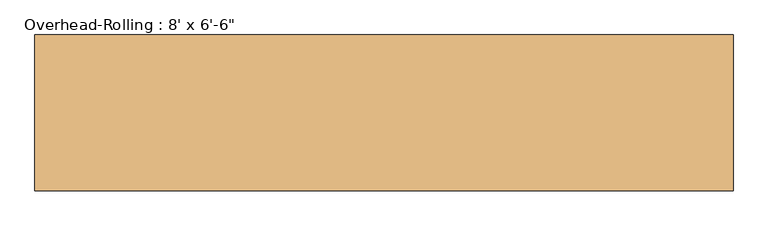
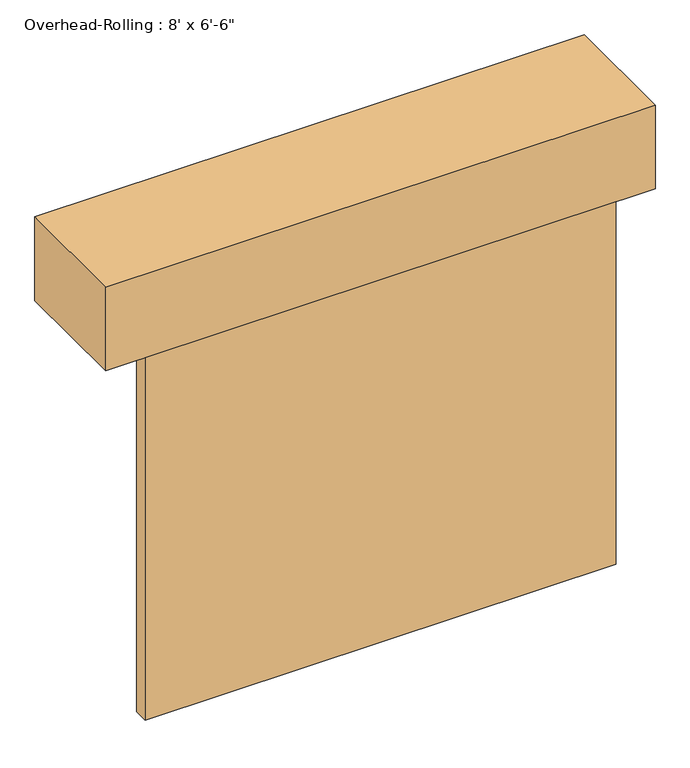
"""IFC4 building model written with IfcOpenShell, lengths in millimetres: door geometry."""

from ifc_helpers import new_model, si_unit, frame, origin, origin_with_axes, place, context, project, spatial, polyline, outline, extrude, source, transform, mapped, element, save


def door_e35060e6(model_context):
    return source(origin(), model_context, "Body", "SweptSolid", [
        extrude(outline(polyline([(1219.2, 101.6), (-1219.2, 101.6), (-1219.2, 177.8), (1219.2, 177.8), (1219.2, 101.6)])), origin_with_axes(), (0.0, 0.0, 1.0), 1981.2),
        extrude(outline(polyline([(1422.4, 736.6), (1422.4, 101.6), (-1422.4, 101.6), (-1422.4, 736.6), (1422.4, 736.6)])), frame((0.0, 0.0, 1981.2), z_axis=(0.0, 0.0, 1.0), x_axis=(1.0, 0.0, 0.0)), (0.0, 0.0, 1.0), 457.2),
    ])


if __name__ == "__main__":
    model = new_model("IFC4")
    model_context = context("Model", 3, world=origin())
    ifc_project = project(units=[si_unit("LENGTHUNIT", "METRE", prefix="MILLI")], contexts=[model_context])
    site = spatial("IfcSite", under=ifc_project)
    building = spatial("IfcBuilding", under=site)
    placement = place(None, origin())
    door_shape = door_e35060e6(model_context)
    element("IfcDoor", 1, ObjectType="Overhead-Rolling : 8' x 6'-6\"", at=placement, inside=building, context=model_context, shape_type="MappedRepresentation", body=[
        mapped(door_shape, transform((0.0, 0.0, 0.0), x_axis=(1.0, 0.0, 0.0), y_axis=(0.0, 1.0, 0.0), z_axis=(0.0, 0.0, 1.0))),
    ])
    save(model, "model.ifc")
